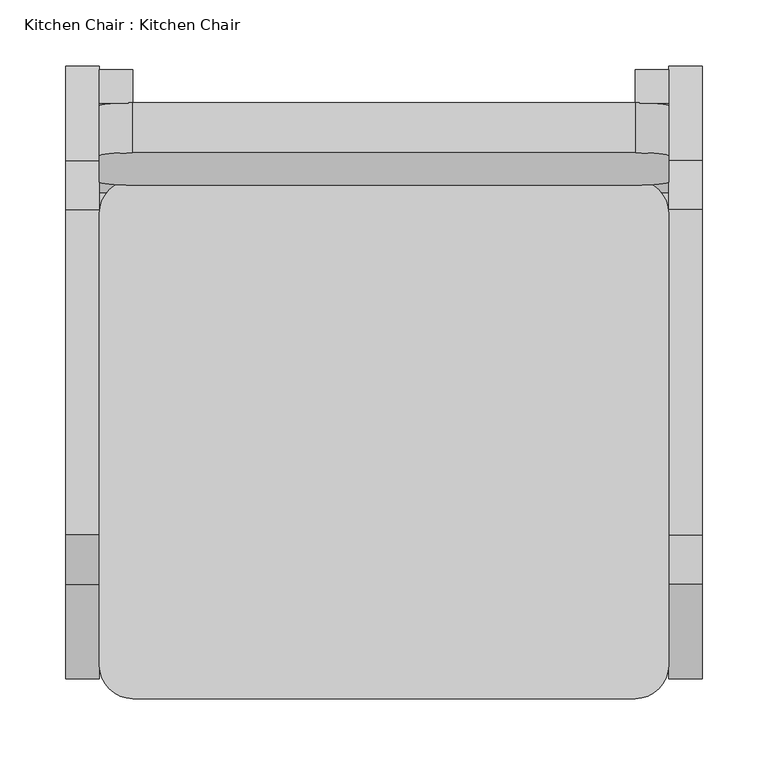
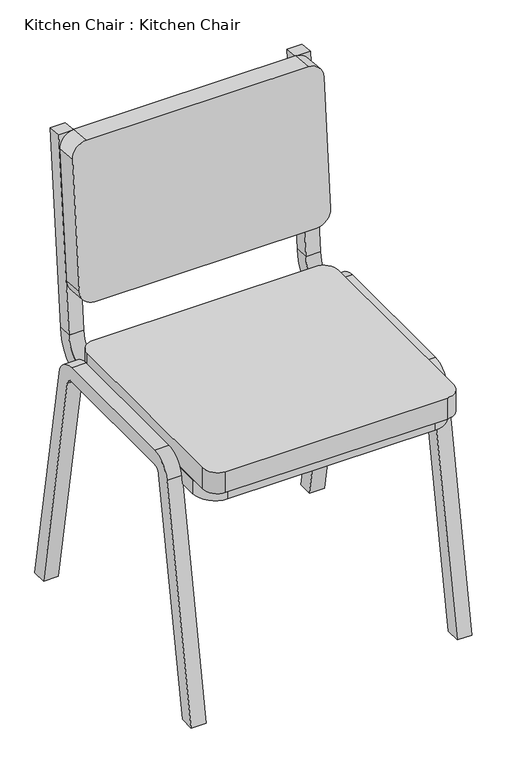
"""IFC4 building model written with IfcOpenShell, lengths in millimetres: furniture geometry, Kitchen Chair : Kitchen Chair."""

import ifcopenshell
import ifcopenshell.guid

model = None  # the IFC model being written
_history = None  # IfcOwnerHistory: only IFC2X3 demands one
_inside = {}  # id of a spatial element -> (the spatial element, [elements in it])
_under = {}  # id of a project, library or spatial element -> (it, [spatial elements below it])
_declared = {}  # id of a project -> (the project, [libraries it declares])
_typed = {}  # id of a type object -> (the type object, [elements of that type])
_made_of = {}  # id of a material, layer set ... -> (it, [elements and type objects made of it])


def new_model(schema):
    """Start an empty IFC model of exactly this schema.

    Asked for "IFC4X3", IfcOpenShell would pick the latest addendum, in which some entities
    have other attributes; the version numbers below select the first issue.
    IFC2X3 requires an IfcOwnerHistory on every rooted entity: one is made here for all.
    """
    global model, _history
    if schema == "IFC4X3":
        model = ifcopenshell.file(schema_version=(4, 3, 0, 0))
    else:
        model = ifcopenshell.file(schema=schema)
    _inside.clear()
    _under.clear()
    _declared.clear()
    _typed.clear()
    _made_of.clear()
    _history = None
    if model.schema == "IFC2X3":
        org = make("IfcOrganization", Name="unknown")
        user = make(
            "IfcPersonAndOrganization",
            ThePerson=make("IfcPerson", FamilyName="unknown"),
            TheOrganization=org,
        )
        app = make(
            "IfcApplication",
            ApplicationDeveloper=org,
            Version="unknown",
            ApplicationFullName="unknown",
            ApplicationIdentifier="unknown",
        )
        _history = make(
            "IfcOwnerHistory",
            OwningUser=user,
            OwningApplication=app,
            ChangeAction="ADDED",
            CreationDate=0,
        )
    return model


def make(cls, **values):
    """One entity of the class cls with the attributes given. An attribute that is None is left unset."""
    return model.create_entity(
        cls, **{name: value for name, value in values.items() if value is not None}
    )


def rooted(cls, **values):
    """An entity with a GlobalId (a new one), such as an element, a storey or a relation."""
    return make(cls, GlobalId=ifcopenshell.guid.new(), OwnerHistory=_history, **values)


def si_unit(unit_type, name, prefix=None):
    """IfcSIUnit, for example si_unit("LENGTHUNIT", "METRE", prefix="MILLI")."""
    return make("IfcSIUnit", UnitType=unit_type, Prefix=prefix, Name=name)


def assignment(units):
    """IfcUnitAssignment: the units of a project."""
    return None if units is None else make("IfcUnitAssignment", Units=units)


def point(xyz):
    """IfcCartesianPoint."""
    return None if xyz is None else make("IfcCartesianPoint", Coordinates=xyz)


def direction(xyz):
    """IfcDirection."""
    return None if xyz is None else make("IfcDirection", DirectionRatios=xyz)


def frame(location, z_axis=None, x_axis=None):
    """IfcAxis2Placement3D, a coordinate frame: its origin and axes. An axis left out is left unset."""
    return make(
        "IfcAxis2Placement3D",
        Location=point(location),
        Axis=direction(z_axis),
        RefDirection=direction(x_axis),
    )


def frame_2d(location, x_axis=None):
    """IfcAxis2Placement2D, a coordinate frame in the plane: its origin and x axis."""
    return make(
        "IfcAxis2Placement2D", Location=point(location), RefDirection=direction(x_axis)
    )


def origin():
    """The frame at (0, 0, 0) with its axes left unset."""
    return frame((0.0, 0.0, 0.0))


def place(relative_to, where):
    """IfcLocalPlacement: puts the frame where relative to a parent placement (None: the world)."""
    return make(
        "IfcLocalPlacement", PlacementRelTo=relative_to, RelativePlacement=where
    )


def context(
    kind, dimensions, precision=None, world=None, true_north=None, identifier=None
):
    """IfcGeometricRepresentationContext, for example the 3D "Model" context."""
    return make(
        "IfcGeometricRepresentationContext",
        ContextIdentifier=identifier,
        ContextType=kind,
        CoordinateSpaceDimension=dimensions,
        Precision=precision,
        WorldCoordinateSystem=world,
        TrueNorth=true_north,
    )


def project(units=None, contexts=None):
    """IfcProject with its units and contexts."""
    return rooted(
        "IfcProject",
        Name="project",
        RepresentationContexts=contexts,
        UnitsInContext=assignment(units),
    )


def spatial(cls, under=None, at=None, **own):
    """A site, building, storey or space (cls), placed at a placement, below another one or the project."""
    s = rooted(cls, ObjectPlacement=at, **own)
    if under is not None:
        _under.setdefault(under.id(), (under, []))[1].append(s)
    return s


def polyline(points):
    """IfcPolyline through the points."""
    return make("IfcPolyline", Points=[point(p) for p in points])


def circle_curve(where, radius):
    """IfcCircle in the frame where."""
    return make("IfcCircle", Position=where, Radius=radius)


def trimmed(basis, trim1, trim2, sense, master):
    """IfcTrimmedCurve: the piece of a basis curve between two trims."""
    return make(
        "IfcTrimmedCurve",
        BasisCurve=basis,
        Trim1=trim1,
        Trim2=trim2,
        SenseAgreement=sense,
        MasterRepresentation=master,
    )


def segment(curve, same_sense, transition):
    """IfcCompositeCurveSegment."""
    return make(
        "IfcCompositeCurveSegment",
        Transition=transition,
        SameSense=same_sense,
        ParentCurve=curve,
    )


def composite_curve(segments, self_intersect=None):
    """IfcCompositeCurve: segments joined end to end."""
    return make("IfcCompositeCurve", Segments=segments, SelfIntersect=self_intersect)


def outline(outer, holes=None, kind="AREA"):
    """IfcArbitraryClosedProfileDef: a profile drawn as a closed curve; with holes, ...WithVoids."""
    if holes is None:
        return make("IfcArbitraryClosedProfileDef", ProfileType=kind, OuterCurve=outer)
    return make(
        "IfcArbitraryProfileDefWithVoids",
        ProfileType=kind,
        OuterCurve=outer,
        InnerCurves=holes,
    )


def extrude(swept, where, along, depth):
    """IfcExtrudedAreaSolid: the profile swept, set in the frame where, extruded along a direction by depth."""
    return make(
        "IfcExtrudedAreaSolid",
        SweptArea=swept,
        Position=where,
        ExtrudedDirection=direction(along),
        Depth=depth,
    )


def faces_of(points, faces, orient=None, outer=None):
    """IfcFace entities. A face is a list of loops; a loop is a list of indices into points, from 0.

    orient and outer hold one flag for each loop. By default every Orientation is true, the
    first loop of a face is its IfcFaceOuterBound and the others are IfcFaceBound.
    """
    made = []
    for i, loops in enumerate(faces):
        bounds = []
        for j, loop in enumerate(loops):
            is_outer = j == 0 if outer is None else outer[i][j]
            bounds.append(
                make(
                    "IfcFaceOuterBound" if is_outer else "IfcFaceBound",
                    Bound=make("IfcPolyLoop", Polygon=[points[k] for k in loop]),
                    Orientation=True if orient is None else orient[i][j],
                )
            )
        made.append(make("IfcFace", Bounds=bounds))
    return made


def faceted_brep(points, faces, orient=None, outer=None, voids=None):
    """IfcFacetedBrep: a solid bounded by flat faces; with voids (closed shells), ...WithVoids."""
    shared = [point(p) for p in points]
    hull = make("IfcClosedShell", CfsFaces=faces_of(shared, faces, orient, outer))
    if voids is None:
        return make("IfcFacetedBrep", Outer=hull)
    return make(
        "IfcFacetedBrepWithVoids",
        Outer=hull,
        Voids=[
            make(cls, CfsFaces=faces_of(shared, fs, o, b)) for cls, fs, o, b in voids
        ],
    )


def shape(context_of_items, identifier, shape_type, items):
    """IfcShapeRepresentation: the items that make up one representation, for example the "Body"."""
    return make(
        "IfcShapeRepresentation",
        ContextOfItems=context_of_items,
        RepresentationIdentifier=identifier,
        RepresentationType=shape_type,
        Items=items,
    )


def source(mapping_origin, context_of_items, identifier, shape_type, items):
    """IfcRepresentationMap: a shape defined once, which mapped items show again and again."""
    return make(
        "IfcRepresentationMap",
        MappingOrigin=mapping_origin,
        MappedRepresentation=shape(context_of_items, identifier, shape_type, items),
    )


def transform(
    local_origin,
    x_axis=None,
    y_axis=None,
    z_axis=None,
    scale=None,
    scale2=None,
    scale3=None,
    uniform=True,
):
    """IfcCartesianTransformationOperator3D, or its non-uniform kind. x_axis, y_axis, z_axis: its Axis1, 2, 3."""
    if uniform:
        return make(
            "IfcCartesianTransformationOperator3D",
            Axis1=direction(x_axis),
            Axis2=direction(y_axis),
            LocalOrigin=point(local_origin),
            Scale=scale,
            Axis3=direction(z_axis),
        )
    return make(
        "IfcCartesianTransformationOperator3DnonUniform",
        Axis1=direction(x_axis),
        Axis2=direction(y_axis),
        LocalOrigin=point(local_origin),
        Scale=scale,
        Axis3=direction(z_axis),
        Scale2=scale2,
        Scale3=scale3,
    )


def mapped(mapping_source, mapping_target):
    """IfcMappedItem: shows the shape of a source again, moved by a transform."""
    return make(
        "IfcMappedItem", MappingSource=mapping_source, MappingTarget=mapping_target
    )


def made_of(thing, what):
    """Note that an element or type object is made of a material, layer set ...; save() writes the relation."""
    if what is not None:
        _made_of.setdefault(what.id(), (what, []))[1].append(thing)
    return thing


def element(
    cls,
    number,
    at=None,
    inside=None,
    cuts=None,
    type_object=None,
    material=None,
    context=None,
    identifier="Body",
    shape_type=None,
    held_by="IfcProductDefinitionShape",
    body=None,
    shapes=None,
    **own,
):
    """One element of the class cls, such as IfcWall. Its Tag is "e" and its number.

    at: its placement. inside: the storey or other place that contains it. cuts: it is an
    opening in that element (IfcRelVoidsElement). A single representation is given by context,
    identifier, shape_type and body (its items); several are given by shapes. held_by: the class
    of the entity that holds the representations. save() writes the other relations.
    """
    e = rooted(cls, Tag="e%d" % number, ObjectPlacement=at, **own)
    if body is not None:
        shapes = [shape(context, identifier, shape_type, body)]
    if shapes is not None:
        e.Representation = make(held_by, Representations=shapes)
    if inside is not None:
        _inside.setdefault(inside.id(), (inside, []))[1].append(e)
    if cuts is not None:
        rooted(
            "IfcRelVoidsElement", RelatingBuildingElement=cuts, RelatedOpeningElement=e
        )
    if type_object is not None:
        _typed.setdefault(type_object.id(), (type_object, []))[1].append(e)
    return made_of(e, material)


def aggregate(whole, parts):
    """IfcRelAggregates: a whole, such as a stair, and the parts it consists of."""
    return rooted("IfcRelAggregates", RelatingObject=whole, RelatedObjects=parts)


def save(model, path):
    """Write the relations noted so far, then the file.

    IfcRelAggregates (storeys below a building ...), IfcRelContainedInSpatialStructure (elements
    in a storey), IfcRelDefinesByType, IfcRelAssociatesMaterial and IfcRelDeclares: one each for
    every whole, place, type object, material and project.
    """
    for whole, parts in _under.values():
        aggregate(whole, parts)
    for where, things in _inside.values():
        rooted(
            "IfcRelContainedInSpatialStructure",
            RelatedElements=things,
            RelatingStructure=where,
        )
    for kind, things in _typed.values():
        rooted("IfcRelDefinesByType", RelatedObjects=things, RelatingType=kind)
    for what, things in _made_of.values():
        rooted("IfcRelAssociatesMaterial", RelatedObjects=things, RelatingMaterial=what)
    for by, libraries in _declared.values():
        rooted("IfcRelDeclares", RelatingContext=by, RelatedDefinitions=libraries)
    model.write(path)


def plane_surface(at):
    """IfcPlane: the flat surface through the origin of the frame at, square to its z axis."""
    return make("IfcPlane", Position=at)


def cylinder_surface(at, radius):
    """IfcCylindricalSurface: all points at the distance radius from the z axis of the frame at."""
    return make("IfcCylindricalSurface", Position=at, Radius=radius)


def revolved_surface(curve, axis_point, axis_direction):
    """IfcSurfaceOfRevolution: the curve turned about the line through axis_point along axis_direction."""
    return make(
        "IfcSurfaceOfRevolution",
        SweptCurve=make("IfcArbitraryOpenProfileDef", ProfileType="CURVE", Curve=curve),
        AxisPosition=make("IfcAxis1Placement", Location=point(axis_point), Axis=direction(axis_direction)),
    )


def advanced_brep(points, edges, surfaces, faces):
    """IfcAdvancedBrep: a solid bounded by faces that lie on surfaces and meet in shared edges.

    An edge is (start, end): straight between two places in points (the first is 0);
    or (start, end, curve); or (start, end, curve, False) where it runs against its curve.
    A face is (place in surfaces, loops), or (place, loops, False) where it looks against
    its surface's normal. A loop lists edges by number (the first is 1), with a minus sign
    where the edge is run from its end to its start. The first loop is the outer one.
    """
    corners = [point(p) for p in points]
    vertices = [make("IfcVertexPoint", VertexGeometry=c) for c in corners]
    made = []
    for start, end, *more in edges:
        made.append(
            make(
                "IfcEdgeCurve",
                EdgeStart=vertices[start],
                EdgeEnd=vertices[end],
                EdgeGeometry=more[0] if more else make("IfcPolyline", Points=[corners[start], corners[end]]),
                SameSense=more[1] if len(more) > 1 else True,
            )
        )
    hull = []
    for where, loops, *sense in faces:
        bounds = []
        for j, loop in enumerate(loops):
            ring = [make("IfcOrientedEdge", EdgeElement=made[abs(k) - 1], Orientation=k > 0) for k in loop]
            bounds.append(
                make(
                    "IfcFaceOuterBound" if j == 0 else "IfcFaceBound",
                    Bound=make("IfcEdgeLoop", EdgeList=ring),
                    Orientation=True,
                )
            )
        hull.append(make("IfcAdvancedFace", Bounds=bounds, FaceSurface=surfaces[where], SameSense=sense[0] if sense else True))
    return make("IfcAdvancedBrep", Outer=make("IfcClosedShell", CfsFaces=hull))


def kitchen_chair_kitchen_chair_1868c3fc(model_context):
    return source(origin(), model_context, "Body", "SolidModel", [
        advanced_brep(
        [(-190.7786165, 142.5074806, 419.1), (-190.7786165, -187.6925194, 419.1), (-190.7786165, -187.6925194, 393.7), (-190.7786165, 142.5074806, 393.7), (-178.0786165, -200.3925194, 393.7), (177.8, -200.3925194, 393.7), (190.5, -187.6925194, 393.7), (190.5, -162.2925194, 393.7), (215.9, -162.2925194, 393.7), (215.9, -187.6925194, 393.7), (177.8, -225.7925194, 393.7), (-178.0786165, -225.7925194, 393.7), (-216.1786165, -187.6925194, 393.7), (-216.1786165, 142.5074806, 393.7), (-216.1786165, -187.6925194, 419.1), (-216.1786165, 142.5074806, 419.1), (-178.0786165, -225.7925194, 419.1), (177.8, -225.7925194, 419.1), (215.9, -187.6925194, 419.1), (215.9, -162.2925194, 419.1), (190.5, -162.2925194, 419.1), (190.5, -187.6925194, 419.1), (177.8, -200.3925194, 419.1), (-178.0786165, -200.3925194, 419.1), (-190.7786165, 206.0050605, 456.6456117), (-190.7786165, 180.6034429, 457.7546703), (-216.1786165, 206.0050605, 456.6456117), (-216.1786165, 180.6034429, 457.7546703)],
        [
            (0, 1),
            (1, 2),
            (2, 3),
            (3, 0),
            (2, 4, circle_curve(frame((-178.0786165, -187.6925194, 393.7), z_axis=(0.0, 0.0, 1.0), x_axis=(-1.0, 0.0, 0.0)), 12.7)),
            (4, 5),
            (5, 6, circle_curve(frame((177.8, -187.6925194, 393.7), z_axis=(0.0, 0.0, 1.0), x_axis=(0.0, -1.0, 0.0)), 12.7)),
            (6, 7),
            (7, 8),
            (8, 9),
            (9, 10, circle_curve(frame((177.8, -187.6925194, 393.7), z_axis=(0.0, 0.0, -1.0), x_axis=(0.0, -1.0, 0.0)), 38.1)),
            (10, 11),
            (11, 12, circle_curve(frame((-178.0786165, -187.6925194, 393.7), z_axis=(0.0, 0.0, -1.0), x_axis=(-1.0, 0.0, 0.0)), 38.1)),
            (12, 13),
            (13, 3),
            (12, 14),
            (14, 15),
            (15, 13),
            (0, 15),
            (14, 16, circle_curve(frame((-178.0786165, -187.6925194, 419.1), z_axis=(0.0, 0.0, 1.0), x_axis=(-1.0, 0.0, 0.0)), 38.1)),
            (16, 17),
            (17, 18, circle_curve(frame((177.8, -187.6925194, 419.1), z_axis=(0.0, 0.0, 1.0), x_axis=(0.0, -1.0, 0.0)), 38.1)),
            (18, 19),
            (19, 20),
            (20, 21),
            (21, 22, circle_curve(frame((177.8, -187.6925194, 419.1), z_axis=(0.0, 0.0, -1.0), x_axis=(0.0, -1.0, 0.0)), 12.7)),
            (22, 23),
            (23, 1, circle_curve(frame((-178.0786165, -187.6925194, 419.1), z_axis=(0.0, 0.0, -1.0), x_axis=(-1.0, 0.0, 0.0)), 12.7)),
            (3, 24, circle_curve(frame((-190.7786165, 142.5074806, 457.2), z_axis=(1.0, 0.0, 0.0), x_axis=(0.0, 0.0, -1.0)), 63.5)),
            (24, 25),
            (25, 0, circle_curve(frame((-190.7786165, 142.5074806, 457.2), z_axis=(-1.0, 0.0, 0.0), x_axis=(0.0, 0.0, -1.0)), 38.1)),
            (13, 26, circle_curve(frame((-216.1786165, 142.5074806, 457.2), z_axis=(1.0, 0.0, 0.0), x_axis=(0.0, 0.0, -1.0)), 63.5)),
            (26, 24),
            (15, 27, circle_curve(frame((-216.1786165, 142.5074806, 457.2), z_axis=(1.0, 0.0, 0.0), x_axis=(0.0, 0.0, -1.0)), 38.1)),
            (27, 26),
            (25, 27),
            (11, 16),
            (23, 4),
            (10, 17),
            (22, 5),
            (9, 18),
            (21, 6),
            (19, 8),
            (7, 20),
        ],
        [
            plane_surface(frame((-190.7786165, -162.2925194, 419.1), z_axis=(1.0, 0.0, 0.0), x_axis=(0.0, 1.0, 0.0))),
            plane_surface(frame((-190.7786165, -162.2925194, 393.7), z_axis=(0.0, 0.0, -1.0), x_axis=(0.0, 1.0, 0.0))),
            plane_surface(frame((-216.1786165, -162.2925194, 393.7), z_axis=(-1.0, 0.0, 0.0), x_axis=(0.0, 1.0, 0.0))),
            plane_surface(frame((-216.1786165, -162.2925194, 419.1), z_axis=(0.0, 0.0, 1.0), x_axis=(0.0, 1.0, 0.0))),
            plane_surface(frame((-190.7786165, 142.5074806, 457.2), z_axis=(1.0, 0.0, 0.0), x_axis=(0.0, 0.0, -1.0))),
            cylinder_surface(frame((-203.4786165, 142.5074806, 457.2), z_axis=(-1.0, 0.0, 0.0), x_axis=(0.0, 0.0, -1.0)), 63.5),
            plane_surface(frame((-216.1786165, 142.5074806, 457.2), z_axis=(-1.0, 0.0, 0.0), x_axis=(0.0, 0.0, -1.0))),
            revolved_surface(polyline([(-216.1786165, 142.5074806, 419.09999999999997), (-190.7786165, 142.5074806, 419.09999999999997)]), (-203.4786165, 142.5074806, 457.2), (-1.0, 0.0, 0.0)),
            plane_surface(frame((-221.4391287, 193.3074806, 457.2), z_axis=(0.0, 0.04361938736534432, 0.9990482215818575), x_axis=(0.0, 0.9990482215818575, -0.04361938736534432))),
            cylinder_surface(frame((-178.0786165, -187.6925194, 406.4), z_axis=(0.0, 0.0, -1.0), x_axis=(-1.0, 0.0, 0.0)), 38.1),
            revolved_surface(polyline([(-190.7786165, -187.6925194, 393.7), (-190.7786165, -187.6925194, 419.1)]), (-178.0786165, -187.6925194, 406.4), (0.0, 0.0, -1.0)),
            plane_surface(frame((-178.0786165, -225.7925194, 419.1), z_axis=(0.0, -1.0, 0.0), x_axis=(1.0, 0.0, 0.0))),
            plane_surface(frame((-178.0786165, -200.3925194, 393.7), z_axis=(0.0, 1.0, 0.0), x_axis=(1.0, 0.0, 0.0))),
            cylinder_surface(frame((177.8, -187.6925194, 406.4), z_axis=(0.0, 0.0, -1.0), x_axis=(0.0, -1.0, 0.0)), 38.1),
            revolved_surface(polyline([(177.8, -200.3925194, 393.7), (177.8, -200.3925194, 419.1)]), (177.8, -187.6925194, 406.4), (0.0, 0.0, -1.0)),
            plane_surface(frame((203.2, -162.2925194, 406.4), z_axis=(0.0, 1.0, 0.0), x_axis=(0.0, 0.0, 1.0))),
            plane_surface(frame((215.9, -187.6925194, 419.1), z_axis=(1.0, 0.0, 0.0), x_axis=(0.0, 1.0, 0.0))),
            plane_surface(frame((190.5, -187.6925194, 393.7), z_axis=(-1.0, 0.0, 0.0), x_axis=(0.0, 1.0, 0.0))),
        ],
        [
            (0, [[1, 2, 3, 4]]),
            (1, [[5, 6, 7, 8, 9, 10, 11, 12, 13, 14, 15, -3]]),
            (2, [[16, 17, 18, -14]]),
            (3, [[19, -17, 20, 21, 22, 23, 24, 25, 26, 27, 28, -1]]),
            (4, [[29, 30, 31, -4]]),
            (5, [[32, 33, -29, -15]]),
            (6, [[34, 35, -32, -18]]),
            (7, [[-31, 36, -34, -19]]),
            (8, [[-33, -35, -36, -30]]),
            (9, [[-16, -13, 37, -20]]),
            (10, [[38, -5, -2, -28]]),
            (11, [[-37, -12, 39, -21]]),
            (12, [[40, -6, -38, -27]]),
            (13, [[-39, -11, 41, -22]]),
            (14, [[42, -7, -40, -26]]),
            (15, [[43, -9, 44, -24]]),
            (16, [[-41, -10, -43, -23]]),
            (17, [[-44, -8, -42, -25]]),
        ],
    ),
        faceted_brep([(-190.7786165, 180.6074806, 457.754494), (-216.1786165, 180.6074806, 457.754494), (-216.1786165, 206.0074806, 456.645506), (-190.7786165, 206.0074806, 456.645506), (-190.7786165, 210.8502198, 803.4305845), (-190.7786165, 236.1535651, 801.2168286), (-216.1786165, 236.1535651, 801.2168286), (-216.1786165, 210.8502198, 803.4305845)], [[[0, 1, 2, 3]], [[4, 5, 6, 7]], [[3, 5, 4, 0]], [[2, 6, 5, 3]], [[1, 7, 6, 2]], [[0, 4, 7, 1]]]),
        advanced_brep(
        [(190.7786165, -162.2925194, 419.1), (190.7786165, -162.2925194, 393.7), (216.1786165, -162.2925194, 393.7), (216.1786165, -162.2925194, 419.1), (216.1786165, 142.5074806, 419.1), (190.7786165, 142.5074806, 419.1), (216.1786165, 142.5074806, 393.7), (190.7786165, 142.5074806, 393.7), (216.1786165, 180.6034429, 457.7546703), (190.7786165, 180.6034429, 457.7546703), (216.1786165, 206.0050605, 456.6456117), (190.7786165, 206.0050605, 456.6456117)],
        [
            (0, 1),
            (1, 2),
            (2, 3),
            (3, 0),
            (3, 4),
            (4, 5),
            (5, 0),
            (2, 6),
            (6, 4),
            (1, 7),
            (7, 6),
            (5, 7),
            (8, 9),
            (9, 5, circle_curve(frame((190.7786165, 142.5074806, 457.2), z_axis=(-1.0, 0.0, 0.0), x_axis=(0.0, 0.0, -1.0)), 38.1)),
            (4, 8, circle_curve(frame((216.1786165, 142.5074806, 457.2), z_axis=(1.0, 0.0, 0.0), x_axis=(0.0, 0.0, -1.0)), 38.1)),
            (10, 8),
            (6, 10, circle_curve(frame((216.1786165, 142.5074806, 457.2), z_axis=(1.0, 0.0, 0.0), x_axis=(0.0, 0.0, -1.0)), 63.5)),
            (11, 10),
            (7, 11, circle_curve(frame((190.7786165, 142.5074806, 457.2), z_axis=(1.0, 0.0, 0.0), x_axis=(0.0, 0.0, -1.0)), 63.5)),
            (9, 11),
        ],
        [
            plane_surface(frame((185.5181043, -162.2925194, 406.4), z_axis=(0.0, -1.0, 0.0), x_axis=(0.0, 0.0, -1.0))),
            plane_surface(frame((190.7786165, -162.2925194, 419.1), z_axis=(0.0, 0.0, 1.0), x_axis=(0.0, 1.0, 0.0))),
            plane_surface(frame((216.1786165, -162.2925194, 419.1), z_axis=(1.0, 0.0, 0.0), x_axis=(0.0, 1.0, 0.0))),
            plane_surface(frame((216.1786165, -162.2925194, 393.7), z_axis=(0.0, 0.0, -1.0), x_axis=(0.0, 1.0, 0.0))),
            plane_surface(frame((190.7786165, -162.2925194, 393.7), z_axis=(-1.0, 0.0, 0.0), x_axis=(0.0, 1.0, 0.0))),
            revolved_surface(polyline([(190.7786165, 142.5074806, 419.09999999999997), (216.1786165, 142.5074806, 419.09999999999997)]), (203.4786165, 142.5074806, 457.2), (-1.0, 0.0, 0.0)),
            plane_surface(frame((216.1786165, 142.5074806, 457.2), z_axis=(1.0, 0.0, 0.0), x_axis=(0.0, 0.0, -1.0))),
            cylinder_surface(frame((203.4786165, 142.5074806, 457.2), z_axis=(-1.0, 0.0, 0.0), x_axis=(0.0, 0.0, -1.0)), 63.5),
            plane_surface(frame((190.7786165, 142.5074806, 457.2), z_axis=(-1.0, 0.0, 0.0), x_axis=(0.0, 0.0, -1.0))),
            plane_surface(frame((185.5181043, 193.3074806, 457.2), z_axis=(0.0, 0.04361938736534432, 0.9990482215818575), x_axis=(0.0, 0.9990482215818575, -0.04361938736534432))),
        ],
        [
            (0, [[1, 2, 3, 4]]),
            (1, [[5, 6, 7, -4]]),
            (2, [[8, 9, -5, -3]]),
            (3, [[10, 11, -8, -2]]),
            (4, [[-7, 12, -10, -1]]),
            (5, [[13, 14, -6, 15]]),
            (6, [[16, -15, -9, 17]]),
            (7, [[18, -17, -11, 19]]),
            (8, [[20, -19, -12, -14]]),
            (9, [[-13, -16, -18, -20]]),
        ],
    ),
        faceted_brep([(190.7786165, 180.6074806, 457.754494), (190.7786165, 206.0074806, 456.645506), (216.1786165, 206.0074806, 456.645506), (216.1786165, 180.6074806, 457.754494), (190.7786165, 210.8502198, 803.4305845), (216.1786165, 210.8502198, 803.4305845), (216.1786165, 236.1535651, 801.2168286), (190.7786165, 236.1535651, 801.2168286)], [[[0, 1, 2, 3]], [[4, 5, 6, 7]], [[3, 5, 4, 0]], [[2, 6, 5, 3]], [[1, 7, 6, 2]], [[0, 4, 7, 1]]]),
        extrude(outline(composite_curve([segment(polyline([(381.0, 0.0), (0.0, 0.0)]), True, "CONTINUOUS"), segment(trimmed(circle_curve(frame_2d((0.0, 25.4)), 25.4), [point((0.0, 0.0))], [point((-25.4, 25.4))], False, "CARTESIAN"), True, "CONTINUOUS"), segment(polyline([(-25.4, 25.4), (-25.4, 254.0)]), True, "CONTINUOUS"), segment(trimmed(circle_curve(frame_2d((0.0, 254.0)), 25.4), [point((-25.4, 254.0))], [point((0.0, 279.4))], False, "CARTESIAN"), True, "CONTINUOUS"), segment(polyline([(0.0, 279.4), (381.0, 279.4)]), True, "CONTINUOUS"), segment(trimmed(circle_curve(frame_2d((381.0, 254.0)), 25.4), [point((381.0, 279.4))], [point((406.4, 254.0))], False, "CARTESIAN"), True, "CONTINUOUS"), segment(polyline([(406.4, 254.0), (406.4, 25.4)]), True, "CONTINUOUS"), segment(trimmed(circle_curve(frame_2d((381.0, 25.4)), 25.4), [point((406.4, 25.4))], [point((381.0, 0.0))], False, "CARTESIAN"), True, "CONTINUOUS")], self_intersect=False)), frame((190.5, 210.9223899, 804.255492), z_axis=(0.0, -0.9961946980917454, 0.08715574274765969), x_axis=(-1.0, 0.0, 0.0)), (0.0, 0.0, 1.0), 38.1),
        extrude(outline(composite_curve([segment(polyline([(190.5, -241.3), (-190.5, -241.3)]), True, "CONTINUOUS"), segment(trimmed(circle_curve(frame_2d((-190.5, -215.9)), 25.4), [point((-190.5, -241.3))], [point((-215.9, -215.9))], False, "CARTESIAN"), True, "CONTINUOUS"), segment(polyline([(-215.9, -215.9), (-215.9, 127.0)]), True, "CONTINUOUS"), segment(trimmed(circle_curve(frame_2d((-190.5, 127.0)), 25.4), [point((-215.9, 127.0))], [point((-190.5, 152.4))], False, "CARTESIAN"), True, "CONTINUOUS"), segment(polyline([(-190.5, 152.4), (190.5, 152.4)]), True, "CONTINUOUS"), segment(trimmed(circle_curve(frame_2d((190.5, 127.0)), 25.4), [point((190.5, 152.4))], [point((215.9, 127.0))], False, "CARTESIAN"), True, "CONTINUOUS"), segment(polyline([(215.9, 127.0), (215.9, -215.9)]), True, "CONTINUOUS"), segment(trimmed(circle_curve(frame_2d((190.5, -215.9)), 25.4), [point((215.9, -215.9))], [point((190.5, -241.3))], False, "CARTESIAN"), True, "CONTINUOUS")], self_intersect=False)), frame((0.0, 0.0, 419.1), z_axis=(0.0, 0.0, 1.0), x_axis=(1.0, 0.0, 0.0)), (0.0, 0.0, 1.0), 38.1),
        extrude(outline(composite_curve([segment(polyline([(-117.0712751, 438.15), (129.7712751, 438.15)]), True, "CONTINUOUS"), segment(trimmed(circle_curve(frame_2d((129.7712751, 400.05)), 38.1), [point((129.7712751, 438.15))], [point((167.2924505, 406.6659956))], False, "CARTESIAN"), True, "CONTINUOUS"), segment(polyline([(167.2924505, 406.6659956), (238.9986376, 0.0), (213.2068017, 0.0), (142.2783335, 402.2553319)]), True, "CONTINUOUS"), segment(trimmed(circle_curve(frame_2d((129.7712751, 400.05)), 12.7), [point((142.2783335, 402.2553319))], [point((129.7712751, 412.75))], True, "CARTESIAN"), True, "CONTINUOUS"), segment(polyline([(129.7712751, 412.75), (-117.0712751, 412.75)]), True, "CONTINUOUS"), segment(trimmed(circle_curve(frame_2d((-117.0712751, 400.05)), 12.7), [point((-117.0712751, 412.75))], [point((-129.5783335, 402.2553319))], True, "CARTESIAN"), True, "CONTINUOUS"), segment(polyline([(-129.5783335, 402.2553319), (-200.5068017, 0.0), (-226.2986376, 0.0), (-154.5924505, 406.6659956)]), True, "CONTINUOUS"), segment(trimmed(circle_curve(frame_2d((-117.0712751, 400.05)), 38.1), [point((-154.5924505, 406.6659956))], [point((-117.0712751, 438.15))], False, "CARTESIAN"), True, "CONTINUOUS")], self_intersect=False)), frame((215.9, 0.0, 0.0), z_axis=(1.0, 0.0, 0.0), x_axis=(0.0, 1.0, 0.0)), (0.0, 0.0, 1.0), 25.4),
        extrude(outline(composite_curve([segment(polyline([(-117.0712751, 438.15), (129.7712751, 438.15)]), True, "CONTINUOUS"), segment(trimmed(circle_curve(frame_2d((129.7712751, 400.05)), 38.1), [point((129.7712751, 438.15))], [point((167.2924505, 406.6659956))], False, "CARTESIAN"), True, "CONTINUOUS"), segment(polyline([(167.2924505, 406.6659956), (238.9986376, 0.0), (213.2068017, 0.0), (142.2783335, 402.2553319)]), True, "CONTINUOUS"), segment(trimmed(circle_curve(frame_2d((129.7712751, 400.05)), 12.7), [point((142.2783335, 402.2553319))], [point((129.7712751, 412.75))], True, "CARTESIAN"), True, "CONTINUOUS"), segment(polyline([(129.7712751, 412.75), (-117.0712751, 412.75)]), True, "CONTINUOUS"), segment(trimmed(circle_curve(frame_2d((-117.0712751, 400.05)), 12.7), [point((-117.0712751, 412.75))], [point((-129.5783335, 402.2553319))], True, "CARTESIAN"), True, "CONTINUOUS"), segment(polyline([(-129.5783335, 402.2553319), (-200.5068017, 0.0), (-226.2986376, 0.0), (-154.5924505, 406.6659956)]), True, "CONTINUOUS"), segment(trimmed(circle_curve(frame_2d((-117.0712751, 400.05)), 38.1), [point((-154.5924505, 406.6659956))], [point((-117.0712751, 438.15))], False, "CARTESIAN"), True, "CONTINUOUS")], self_intersect=False)), frame((-241.3, 0.0, 0.0), z_axis=(1.0, 0.0, 0.0), x_axis=(0.0, 1.0, 0.0)), (0.0, 0.0, 1.0), 25.4),
    ])


if __name__ == "__main__":
    model = new_model("IFC4")
    model_context = context("Model", 3, world=origin())
    ifc_project = project(units=[si_unit("LENGTHUNIT", "METRE", prefix="MILLI")], contexts=[model_context])
    site = spatial("IfcSite", under=ifc_project)
    building = spatial("IfcBuilding", under=site)
    placement = place(None, origin())
    kitchen_chair_kitchen_chair_shape = kitchen_chair_kitchen_chair_1868c3fc(model_context)
    element("IfcFurniture", 1, ObjectType="Kitchen Chair : Kitchen Chair", at=placement, inside=building, context=model_context, shape_type="MappedRepresentation", body=[
        mapped(kitchen_chair_kitchen_chair_shape, transform((0.0, 0.0, 0.0), x_axis=(1.0, 0.0, 0.0), y_axis=(0.0, 1.0, 0.0), z_axis=(0.0, 0.0, 1.0))),
    ])
    save(model, "model.ifc")
